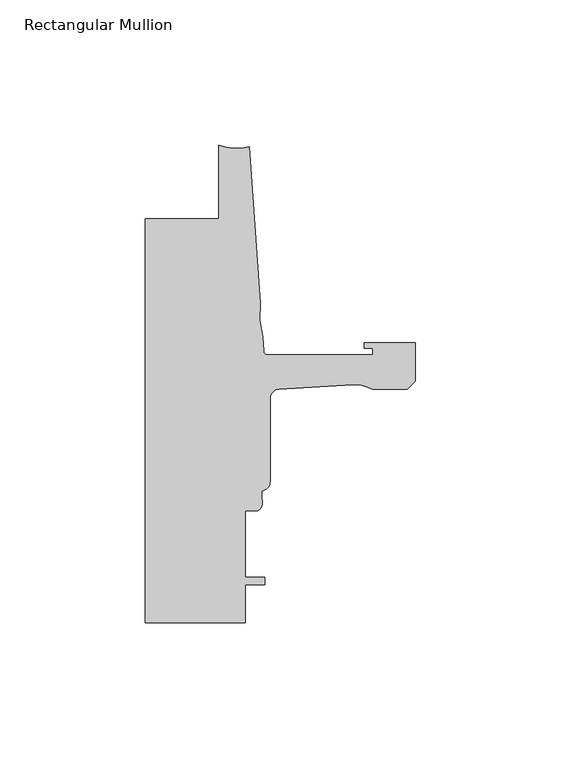
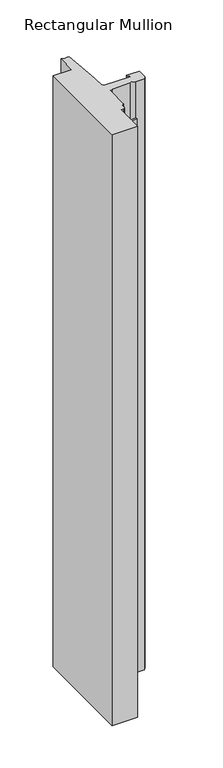
"""IFC4 building model written with IfcOpenShell, lengths in millimetres: member geometry, Rectangular Mullion."""

from ifc_helpers import new_model, si_unit, point, frame, frame_2d, origin, place, context, project, spatial, polyline, circle_curve, trimmed, segment, composite_curve, outline, extrude, source, transform, mapped, element, save


def rectangular_mullion_1d2631a2(model_context):
    return source(origin(), model_context, "Body", "SweptSolid", [
        extrude(outline(composite_curve([segment(polyline([(-93.2286109, -25.4004525), (-67.8287241, -25.4004525), (-67.8287241, 0.0)]), True, "CONTINUOUS"), segment(trimmed(circle_curve(frame_2d((-61.5737839, 15.5330799)), 16.7451739), [point((-67.8287241, 0.0))], [point((-57.2987828, -0.6572016))], True, "CARTESIAN"), True, "CONTINUOUS"), segment(polyline([(-57.2987828, -0.6572016), (-53.5273008, -54.5916583)]), True, "CONTINUOUS"), segment(trimmed(circle_curve(frame_2d((-22.6573046, -58.220143)), 31.0825122), [point((-53.5273008, -54.5916583))], [point((-52.7218885, -66.1095894))], True, "CARTESIAN"), True, "CONTINUOUS"), segment(polyline([(-52.7218885, -66.1095894), (-52.3871825, -70.8961089)]), True, "CONTINUOUS"), segment(trimmed(circle_curve(frame_2d((-50.8668948, -70.7898)), 1.524), [point((-52.3871825, -70.8961089))], [point((-50.8668948, -72.3138))], True, "CARTESIAN"), True, "CONTINUOUS"), segment(polyline([(-50.8668948, -72.3138), (-14.783487, -72.3138), (-14.783487, -69.9769999), (-17.6377748, -69.9769999), (-17.6377748, -68.1989999), (0.0, -68.1989999), (0.0, -81.3555127), (-2.845487, -84.2009998), (-14.7368542, -84.2009998)]), True, "CONTINUOUS"), segment(trimmed(circle_curve(frame_2d((-20.8718421, -95.1826865)), 12.5791701), [point((-14.7368542, -84.2009998))], [point((-21.6202542, -82.6257999))], True, "CARTESIAN"), True, "CONTINUOUS"), segment(polyline([(-21.6202542, -82.6257999), (-47.0897067, -84.1438232)]), True, "CONTINUOUS"), segment(trimmed(circle_curve(frame_2d((-46.9265, -87.3146257)), 3.175), [point((-47.0897067, -84.1438232))], [point((-50.1015, -87.3146257))], True, "CARTESIAN"), True, "CONTINUOUS"), segment(polyline([(-50.1015, -87.3146257), (-50.1015, -116.026113)]), True, "CONTINUOUS"), segment(trimmed(circle_curve(frame_2d((-53.2765, -116.026113)), 3.175), [point((-50.1015, -116.026113))], [point((-53.0225002, -119.1909367))], False, "CARTESIAN"), True, "CONTINUOUS"), segment(polyline([(-53.0225002, -119.1909367), (-53.0225002, -121.7775425)]), True, "CONTINUOUS"), segment(trimmed(circle_curve(frame_2d((-56.4301064, -123.096956)), 3.6541253), [point((-53.0225002, -121.7775425))], [point((-54.4195002, -126.1482008))], False, "CARTESIAN"), True, "CONTINUOUS"), segment(polyline([(-54.4195002, -126.1482008), (-58.7375, -126.1482008), (-58.7375, -149.0082008), (-51.8795003, -149.0082008), (-51.8795003, -151.5482008), (-58.7375, -151.5482008), (-58.7375, -164.592), (-93.2286109, -164.592), (-93.2286109, -25.4004525)]), True, "CONTINUOUS")], self_intersect=False)), frame((0.0, 0.0, -850.2604121), z_axis=(0.0, 0.0, 1.0), x_axis=(1.0, 0.0, 0.0)), (0.0, 0.0, 1.0), 850.2604121),
    ])


if __name__ == "__main__":
    model = new_model("IFC4")
    model_context = context("Model", 3, world=origin())
    ifc_project = project(units=[si_unit("LENGTHUNIT", "METRE", prefix="MILLI")], contexts=[model_context])
    site = spatial("IfcSite", under=ifc_project)
    building = spatial("IfcBuilding", under=site)
    placement = place(None, origin())
    rectangular_mullion_shape = rectangular_mullion_1d2631a2(model_context)
    element("IfcMember", 1, ObjectType="Rectangular Mullion", at=placement, inside=building, context=model_context, shape_type="MappedRepresentation", body=[
        mapped(rectangular_mullion_shape, transform((0.0, 0.0, 0.0), x_axis=(1.0, 0.0, 0.0), y_axis=(0.0, 1.0, 0.0), z_axis=(0.0, 0.0, 1.0))),
    ])
    save(model, "model.ifc")
